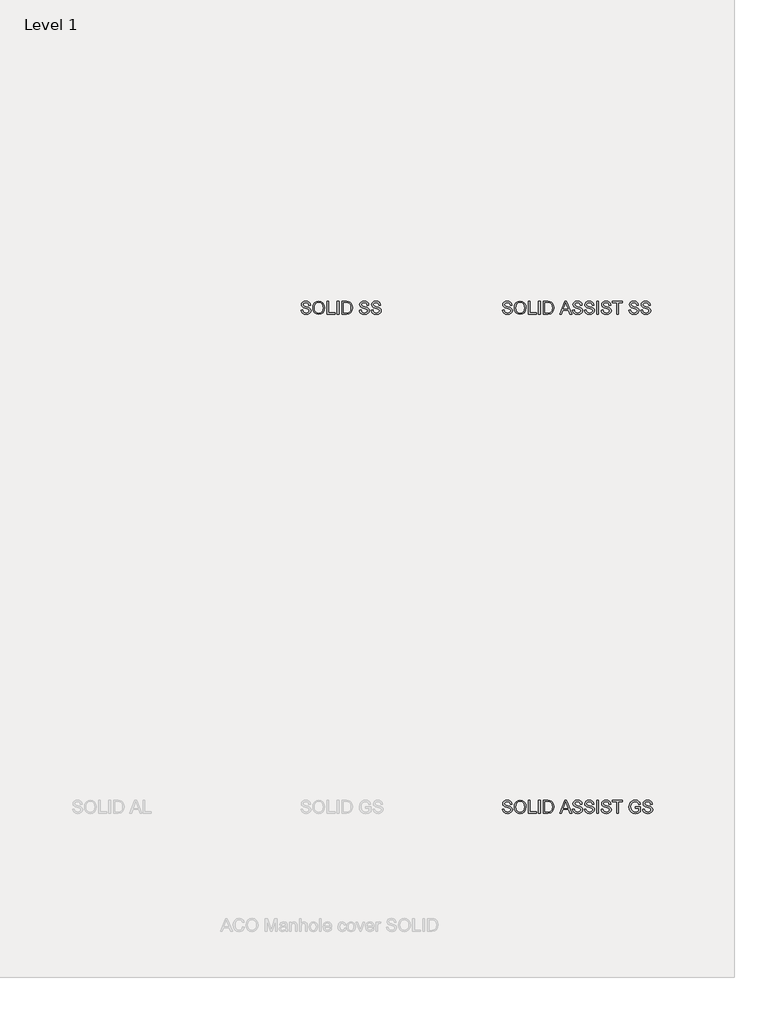
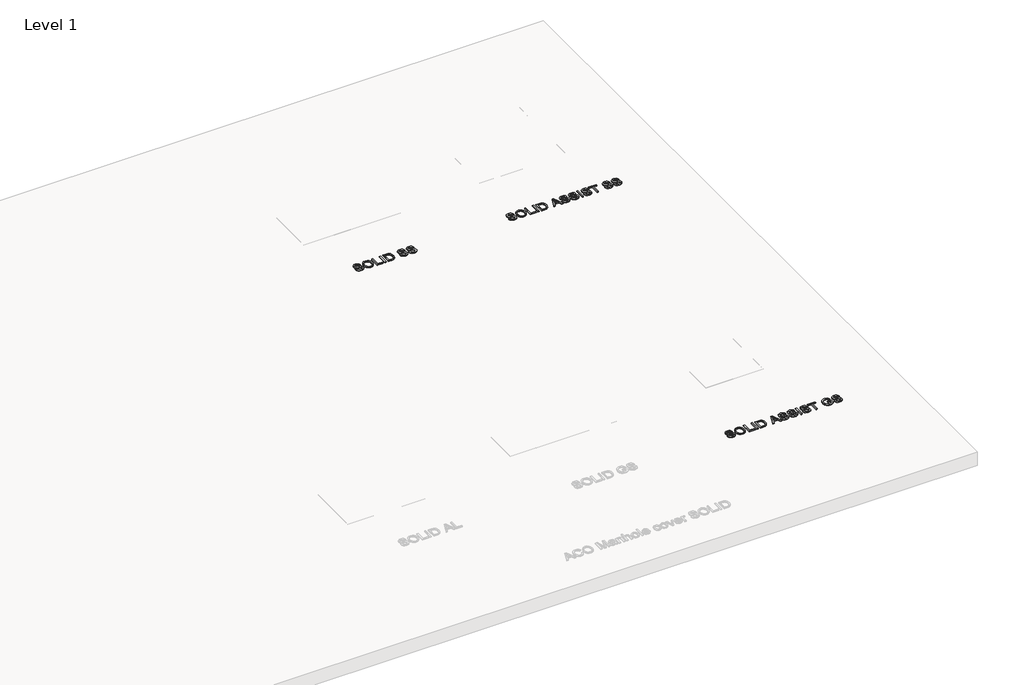
# One storey, part 9 of 9: 3 proxies.
"""IFC4 building model written with IfcOpenShell, lengths in millimetres."""

from ifc_helpers import new_model, si_unit, origin, origin_with_axes, place, context, project, spatial, polyline, outline, extrude, element, save

model = new_model("IFC4")

# Units and contexts
model_context = context("Model", 3, world=origin())
ifc_project = project(units=[si_unit("LENGTHUNIT", "METRE", prefix="MILLI")], contexts=[model_context])

# Site, building, storey
site = spatial("IfcSite", under=ifc_project)
building = spatial("IfcBuilding", under=site)
storey = spatial("IfcBuildingStorey", under=building, Name="Level 1", Elevation=0.0)

# Proxies
placement = place(None, origin())
element("IfcBuildingElementProxy", 1, Name="100mm ACO", ObjectType="100mm ACO", at=placement, inside=storey, context=model_context, shape_type="SweptSolid", body=[
    extrude(outline(polyline([(20366.4933745, -11818.9316368), (20364.4706252, -11809.9857004), (20359.9740097, -11803.5791148), (20353.0035282, -11799.7264322), (20343.5591805, -11798.4422046), (20327.8428547, -11802.4440468), (20323.3025828, -11807.3590367), (20321.7891588, -11814.1003218), (20326.2857743, -11824.2140686), (20344.5778313, -11830.5442553), (20364.5288338, -11836.0595215), (20377.7567414, -11845.0382003), (20381.8822769, -11852.1614794), (20383.2574554, -11861.3657166), (20380.7362948, -11873.2730162), (20373.172813, -11882.9756646), (20361.5565564, -11889.4259066), (20346.8770716, -11891.5759873), (20328.7887447, -11889.1894341), (20315.9100888, -11882.0297746), (20308.0519259, -11871.072003), (20305.0250779, -11857.2911136), (20318.0638075, -11856.1851499), (20320.7086614, -11867.1247313), (20326.9551733, -11874.6227284), (20335.8429011, -11878.9556322), (20346.4114026, -11880.3999334), (20363.6411524, -11875.6413792), (20368.5743325, -11870.035162), (20370.2187258, -11862.733619), (20368.5197619, -11855.3629532), (20363.4228701, -11850.3060799), (20340.0084551, -11842.8117208), (20325.7146023, -11838.4460747), (20316.0701625, -11832.5379004), (20310.5803626, -11824.8652774), (20308.7504293, -11815.2062855), (20311.0460315, -11804.1466488), (20317.9328381, -11795.1825222), (20328.7778306, -11789.2452436), (20342.9479901, -11787.2661507), (20357.5947326, -11789.2597957), (20369.0545536, -11795.2407308), (20376.6071212, -11804.8888086), (20379.5321041, -11817.8838818), (20366.4933745, -11818.9316368)])), origin_with_axes(), (0.0, 0.0, 1.0), 10.0),
    extrude(outline(polyline([(20444.8130649, -11787.2661507), (20463.4107172, -11790.8605326), (20478.2830181, -11801.6436784), (20488.040237, -11818.3131703), (20491.2926434, -11839.5665905), (20488.0220468, -11860.7290598), (20478.2102573, -11877.3003247), (20463.3197662, -11888.0070717), (20444.8130649, -11891.5759873), (20425.8297806, -11887.8761023), (20410.9647558, -11876.7764472), (20401.3603344, -11860.3507038), (20398.1588607, -11840.6725542), (20401.4039909, -11818.4623299), (20411.1393816, -11801.5418133), (20426.0480629, -11790.8350664), (20444.8130649, -11787.2661507)]), holes=[polyline([(20444.6966477, -11880.3999334), (20458.2155983, -11877.7005089), (20468.9114312, -11869.6022355), (20475.8891888, -11856.6944753), (20478.2539138, -11839.5665905), (20475.8855508, -11822.0567118), (20468.7804618, -11809.1089332), (20458.088267, -11801.1088868), (20444.9585865, -11798.4422046), (20431.5342248, -11801.0543162), (20420.7146986, -11808.8906509), (20413.5768673, -11822.1258345), (20411.1975902, -11840.934493), (20413.5259348, -11856.9091195), (20420.5109685, -11869.5003704), (20431.2140774, -11877.6750426), (20444.6966477, -11880.3999334)])]), origin_with_axes(), (0.0, 0.0, 1.0), 10.0),
    extrude(outline(polyline([(20573.2503721, -11889.7133117), (20509.9193999, -11889.7133117), (20509.9193999, -11789.1288264), (20522.9581295, -11789.1288264), (20522.9581295, -11878.5372577), (20573.2503721, -11878.5372577), (20573.2503721, -11889.7133117)])), origin_with_axes(), (0.0, 0.0, 1.0), 10.0),
    extrude(outline(polyline([(20603.0531826, -11889.7133117), (20590.014453, -11889.7133117), (20590.014453, -11789.1288264), (20603.0531826, -11789.1288264), (20603.0531826, -11889.7133117)])), origin_with_axes(), (0.0, 0.0, 1.0), 10.0),
    extrude(outline(polyline([(20627.2679661, -11789.1288264), (20661.4946312, -11789.1288264), (20676.9781226, -11790.0601642), (20689.3765574, -11794.5858839), (20699.7231386, -11804.4959005), (20706.6936202, -11819.0043976), (20709.2256949, -11838.8680872), (20706.6208594, -11859.1210469), (20698.8063529, -11875.4085447), (20684.6398315, -11886.1371199), (20662.9789509, -11889.7133117), (20627.2679661, -11889.7133117), (20627.2679661, -11789.1288264)]), holes=[polyline([(20640.3066957, -11878.5372577), (20661.75657, -11878.5372577), (20673.4710536, -11877.6932328), (20683.934052, -11873.1384088), (20692.7090006, -11860.9728084), (20696.1869653, -11838.5770441), (20694.8481672, -11824.1995164), (20689.9295393, -11812.0193639), (20681.7075725, -11803.972023), (20672.656133, -11800.8578621), (20661.3491097, -11800.3048803), (20640.3066957, -11800.3048803), (20640.3066957, -11878.5372577)])]), origin_with_axes(), (0.0, 0.0, 1.0), 10.0),
    extrude(outline(polyline([(20824.7115854, -11818.9316368), (20822.6888361, -11809.9857004), (20818.1922206, -11803.5791148), (20811.2217391, -11799.7264322), (20801.7773914, -11798.4422046), (20786.0610656, -11802.4440468), (20781.5207937, -11807.3590367), (20780.0073697, -11814.1003218), (20784.5039852, -11824.2140686), (20802.7960422, -11830.5442553), (20822.7470447, -11836.0595215), (20835.9749523, -11845.0382003), (20840.1004878, -11852.1614794), (20841.4756663, -11861.3657166), (20838.9545057, -11873.2730162), (20831.3910239, -11882.9756646), (20819.7747673, -11889.4259066), (20805.0952824, -11891.5759873), (20787.0069556, -11889.1894341), (20774.1282997, -11882.0297746), (20766.2701368, -11871.072003), (20763.2432888, -11857.2911136), (20776.2820184, -11856.1851499), (20778.9268723, -11867.1247313), (20785.1733842, -11874.6227284), (20794.061112, -11878.9556322), (20804.6296135, -11880.3999334), (20821.8593633, -11875.6413792), (20826.7925434, -11870.035162), (20828.4369367, -11862.733619), (20826.7379728, -11855.3629532), (20821.641081, -11850.3060799), (20798.226666, -11842.8117208), (20783.9328132, -11838.4460747), (20774.2883734, -11832.5379004), (20768.7985735, -11824.8652774), (20766.9686402, -11815.2062855), (20769.2642424, -11804.1466488), (20776.151049, -11795.1825222), (20786.9960415, -11789.2452436), (20801.166201, -11787.2661507), (20815.8129435, -11789.2597957), (20827.2727645, -11795.2407308), (20834.8253321, -11804.8888086), (20837.750315, -11817.8838818), (20824.7115854, -11818.9316368)])), origin_with_axes(), (0.0, 0.0, 1.0), 10.0),
    extrude(outline(polyline([(20917.8453681, -11818.9316368), (20915.8226188, -11809.9857004), (20911.3260033, -11803.5791148), (20904.3555218, -11799.7264322), (20894.9111741, -11798.4422046), (20879.1948483, -11802.4440468), (20874.6545764, -11807.3590367), (20873.1411524, -11814.1003218), (20877.6377679, -11824.2140686), (20895.9298249, -11830.5442553), (20915.8808274, -11836.0595215), (20929.108735, -11845.0382003), (20933.2342705, -11852.1614794), (20934.609449, -11861.3657166), (20932.0882884, -11873.2730162), (20924.5248066, -11882.9756646), (20912.90855, -11889.4259066), (20898.2290652, -11891.5759873), (20880.1407383, -11889.1894341), (20867.2620824, -11882.0297746), (20859.4039195, -11871.072003), (20856.3770716, -11857.2911136), (20869.4158011, -11856.1851499), (20872.060655, -11867.1247313), (20878.3071669, -11874.6227284), (20887.1948947, -11878.9556322), (20897.7633962, -11880.3999334), (20914.993146, -11875.6413792), (20919.9263261, -11870.035162), (20921.5707194, -11862.733619), (20919.8717555, -11855.3629532), (20914.7748637, -11850.3060799), (20891.3604487, -11842.8117208), (20877.0665959, -11838.4460747), (20867.4221561, -11832.5379004), (20861.9323562, -11824.8652774), (20860.1024229, -11815.2062855), (20862.3980251, -11804.1466488), (20869.2848317, -11795.1825222), (20880.1298242, -11789.2452436), (20894.2999837, -11787.2661507), (20908.9467262, -11789.2597957), (20920.4065472, -11795.2407308), (20927.9591149, -11804.8888086), (20930.8840977, -11817.8838818), (20917.8453681, -11818.9316368)])), origin_with_axes(), (0.0, 0.0, 1.0), 10.0),
])
element("IfcBuildingElementProxy", 2, Name="100mm ACO", ObjectType="100mm ACO", at=placement, inside=storey, context=model_context, shape_type="SweptSolid", body=[
    extrude(outline(polyline([(21949.4642083, -15738.9316368), (21947.441459, -15729.9857004), (21942.9448435, -15723.5791148), (21935.974362, -15719.7264322), (21926.5300143, -15718.4422046), (21910.8136885, -15722.4440468), (21906.2734166, -15727.3590367), (21904.7599926, -15734.1003218), (21909.2566081, -15744.2140686), (21927.5486651, -15750.5442553), (21947.4996676, -15756.0595215), (21960.7275752, -15765.0382003), (21964.8531107, -15772.1614794), (21966.2282892, -15781.3657166), (21963.7071286, -15793.2730162), (21956.1436468, -15802.9756646), (21944.5273902, -15809.4259066), (21929.8479053, -15811.5759873), (21911.7595785, -15809.1894341), (21898.8809226, -15802.0297746), (21891.0227597, -15791.072003), (21887.9959117, -15777.2911136), (21901.0346413, -15776.1851499), (21903.6794952, -15787.1247313), (21909.9260071, -15794.6227284), (21918.8137349, -15798.9556322), (21929.3822364, -15800.3999334), (21946.6119862, -15795.6413792), (21951.5451663, -15790.035162), (21953.1895596, -15782.733619), (21951.4905957, -15775.3629532), (21946.3937039, -15770.3060799), (21922.9792889, -15762.8117208), (21908.685436, -15758.4460747), (21899.0409963, -15752.5379004), (21893.5511964, -15744.8652774), (21891.721263, -15735.2062855), (21894.0168653, -15724.1466488), (21900.9036719, -15715.1825222), (21911.7486644, -15709.2452436), (21925.9188239, -15707.2661507), (21940.5655664, -15709.2597957), (21952.0253873, -15715.2407308), (21959.577955, -15724.8888086), (21962.5029379, -15737.8838818), (21949.4642083, -15738.9316368)])), origin_with_axes(), (0.0, 0.0, 1.0), 10.0),
    extrude(outline(polyline([(22027.7838987, -15707.2661507), (22046.3815509, -15710.8605326), (22061.2538519, -15721.6436784), (22071.0110708, -15738.3131703), (22074.2634771, -15759.5665905), (22070.9928806, -15780.7290598), (22061.1810911, -15797.3003247), (22046.2906, -15808.0070717), (22027.7838987, -15811.5759873), (22008.8006144, -15807.8761023), (21993.9355896, -15796.7764472), (21984.3311682, -15780.3507038), (21981.1296944, -15760.6725542), (21984.3748247, -15738.4623299), (21994.1102154, -15721.5418133), (22009.0188967, -15710.8350664), (22027.7838987, -15707.2661507)]), holes=[polyline([(22027.6674815, -15800.3999334), (22041.1864321, -15797.7005089), (22051.882265, -15789.6022355), (22058.8600226, -15776.6944753), (22061.2247476, -15759.5665905), (22058.8563846, -15742.0567118), (22051.7512956, -15729.1089332), (22041.0591008, -15721.1088868), (22027.9294202, -15718.4422046), (22014.5050586, -15721.0543162), (22003.6855324, -15728.8906509), (21996.5477011, -15742.1258345), (21994.168424, -15760.934493), (21996.4967686, -15776.9091195), (22003.4818023, -15789.5003704), (22014.1849112, -15797.6750426), (22027.6674815, -15800.3999334)])]), origin_with_axes(), (0.0, 0.0, 1.0), 10.0),
    extrude(outline(polyline([(22156.2212059, -15809.7133117), (22092.8902337, -15809.7133117), (22092.8902337, -15709.1288264), (22105.9289633, -15709.1288264), (22105.9289633, -15798.5372577), (22156.2212059, -15798.5372577), (22156.2212059, -15809.7133117)])), origin_with_axes(), (0.0, 0.0, 1.0), 10.0),
    extrude(outline(polyline([(22186.0240164, -15809.7133117), (22172.9852868, -15809.7133117), (22172.9852868, -15709.1288264), (22186.0240164, -15709.1288264), (22186.0240164, -15809.7133117)])), origin_with_axes(), (0.0, 0.0, 1.0), 10.0),
    extrude(outline(polyline([(22210.2387999, -15709.1288264), (22244.465465, -15709.1288264), (22259.9489564, -15710.0601642), (22272.3473912, -15714.5858839), (22282.6939724, -15724.4959005), (22289.6644539, -15739.0043976), (22292.1965287, -15758.8680872), (22289.5916932, -15779.1210469), (22281.7771867, -15795.4085447), (22267.6106652, -15806.1371199), (22245.9497847, -15809.7133117), (22210.2387999, -15809.7133117), (22210.2387999, -15709.1288264)]), holes=[polyline([(22223.2775295, -15798.5372577), (22244.7274038, -15798.5372577), (22256.4418874, -15797.6932328), (22266.9048858, -15793.1384088), (22275.6798344, -15780.9728084), (22279.1577991, -15758.5770441), (22277.819001, -15744.1995164), (22272.9003731, -15732.0193639), (22264.6784063, -15723.972023), (22255.6269668, -15720.8578621), (22244.3199435, -15720.3048803), (22223.2775295, -15720.3048803), (22223.2775295, -15798.5372577)])]), origin_with_axes(), (0.0, 0.0, 1.0), 10.0),
    extrude(outline(polyline([(22432.3628716, -15809.7133117), (22418.4801171, -15809.7133117), (22406.430934, -15779.9105012), (22363.7349155, -15779.9105012), (22352.1514013, -15809.7133117), (22338.2977511, -15809.7133117), (22377.3848355, -15709.1288264), (22391.645946, -15709.1288264), (22432.3628716, -15809.7133117)]), holes=[polyline([(22401.8906621, -15768.7344473), (22387.382165, -15731.8592902), (22384.3989735, -15720.1302544), (22379.7131801, -15738.8152196), (22368.1005616, -15768.7344473), (22401.8906621, -15768.7344473)])]), origin_with_axes(), (0.0, 0.0, 1.0), 10.0),
    extrude(outline(polyline([(22500.8162019, -15738.9316368), (22498.7934526, -15729.9857004), (22494.2968371, -15723.5791148), (22487.3263556, -15719.7264322), (22477.8820079, -15718.4422046), (22462.1656821, -15722.4440468), (22457.6254102, -15727.3590367), (22456.1119862, -15734.1003218), (22460.6086017, -15744.2140686), (22478.9006587, -15750.5442553), (22498.8516612, -15756.0595215), (22512.0795688, -15765.0382003), (22516.2051043, -15772.1614794), (22517.5802828, -15781.3657166), (22515.0591222, -15793.2730162), (22507.4956404, -15802.9756646), (22495.8793838, -15809.4259066), (22481.1998989, -15811.5759873), (22463.1115721, -15809.1894341), (22450.2329162, -15802.0297746), (22442.3747533, -15791.072003), (22439.3479053, -15777.2911136), (22452.3866349, -15776.1851499), (22455.0314888, -15787.1247313), (22461.2780007, -15794.6227284), (22470.1657285, -15798.9556322), (22480.73423, -15800.3999334), (22497.9639798, -15795.6413792), (22502.8971599, -15790.035162), (22504.5415532, -15782.733619), (22502.8425893, -15775.3629532), (22497.7456975, -15770.3060799), (22474.3312825, -15762.8117208), (22460.0374296, -15758.4460747), (22450.3929899, -15752.5379004), (22444.90319, -15744.8652774), (22443.0732566, -15735.2062855), (22445.3688589, -15724.1466488), (22452.2556655, -15715.1825222), (22463.100658, -15709.2452436), (22477.2708175, -15707.2661507), (22491.91756, -15709.2597957), (22503.3773809, -15715.2407308), (22510.9299486, -15724.8888086), (22513.8549315, -15737.8838818), (22500.8162019, -15738.9316368)])), origin_with_axes(), (0.0, 0.0, 1.0), 10.0),
    extrude(outline(polyline([(22593.9499846, -15738.9316368), (22591.9272353, -15729.9857004), (22587.4306198, -15723.5791148), (22580.4601383, -15719.7264322), (22571.0157906, -15718.4422046), (22555.2994648, -15722.4440468), (22550.7591929, -15727.3590367), (22549.2457689, -15734.1003218), (22553.7423844, -15744.2140686), (22572.0344414, -15750.5442553), (22591.9854439, -15756.0595215), (22605.2133515, -15765.0382003), (22609.338887, -15772.1614794), (22610.7140655, -15781.3657166), (22608.1929049, -15793.2730162), (22600.6294231, -15802.9756646), (22589.0131665, -15809.4259066), (22574.3336816, -15811.5759873), (22556.2453548, -15809.1894341), (22543.3666989, -15802.0297746), (22535.508536, -15791.072003), (22532.481688, -15777.2911136), (22545.5204176, -15776.1851499), (22548.1652715, -15787.1247313), (22554.4117834, -15794.6227284), (22563.2995112, -15798.9556322), (22573.8680127, -15800.3999334), (22591.0977625, -15795.6413792), (22596.0309426, -15790.035162), (22597.6753359, -15782.733619), (22595.976372, -15775.3629532), (22590.8794802, -15770.3060799), (22567.4650652, -15762.8117208), (22553.1712123, -15758.4460747), (22543.5267726, -15752.5379004), (22538.0369727, -15744.8652774), (22536.2070393, -15735.2062855), (22538.5026416, -15724.1466488), (22545.3894482, -15715.1825222), (22556.2344407, -15709.2452436), (22570.4046002, -15707.2661507), (22585.0513427, -15709.2597957), (22596.5111636, -15715.2407308), (22604.0637313, -15724.8888086), (22606.9887142, -15737.8838818), (22593.9499846, -15738.9316368)])), origin_with_axes(), (0.0, 0.0, 1.0), 10.0),
    extrude(outline(polyline([(22644.2422273, -15809.7133117), (22631.2034977, -15809.7133117), (22631.2034977, -15709.1288264), (22644.2422273, -15709.1288264), (22644.2422273, -15809.7133117)])), origin_with_axes(), (0.0, 0.0, 1.0), 10.0),
    extrude(outline(polyline([(22726.1999561, -15738.9316368), (22724.1772067, -15729.9857004), (22719.6805913, -15723.5791148), (22712.7101097, -15719.7264322), (22703.2657621, -15718.4422046), (22687.5494362, -15722.4440468), (22683.0091643, -15727.3590367), (22681.4957404, -15734.1003218), (22685.9923558, -15744.2140686), (22704.2844128, -15750.5442553), (22724.2354153, -15756.0595215), (22737.4633229, -15765.0382003), (22741.5888584, -15772.1614794), (22742.9640369, -15781.3657166), (22740.4428763, -15793.2730162), (22732.8793945, -15802.9756646), (22721.263138, -15809.4259066), (22706.5836531, -15811.5759873), (22688.4953262, -15809.1894341), (22675.6166703, -15802.0297746), (22667.7585074, -15791.072003), (22664.7316595, -15777.2911136), (22677.7703891, -15776.1851499), (22680.415243, -15787.1247313), (22686.6617549, -15794.6227284), (22695.5494827, -15798.9556322), (22706.1179842, -15800.3999334), (22723.347734, -15795.6413792), (22728.280914, -15790.035162), (22729.9253074, -15782.733619), (22728.2263434, -15775.3629532), (22723.1294517, -15770.3060799), (22699.7150366, -15762.8117208), (22685.4211838, -15758.4460747), (22675.776744, -15752.5379004), (22670.2869441, -15744.8652774), (22668.4570108, -15735.2062855), (22670.752613, -15724.1466488), (22677.6394197, -15715.1825222), (22688.4844121, -15709.2452436), (22702.6545716, -15707.2661507), (22717.3013142, -15709.2597957), (22728.7611351, -15715.2407308), (22736.3137028, -15724.8888086), (22739.2386856, -15737.8838818), (22726.1999561, -15738.9316368)])), origin_with_axes(), (0.0, 0.0, 1.0), 10.0),
    extrude(outline(polyline([(22832.3724683, -15720.3048803), (22798.8443066, -15720.3048803), (22798.8443066, -15809.7133117), (22785.805577, -15809.7133117), (22785.805577, -15720.3048803), (22752.2774152, -15720.3048803), (22752.2774152, -15709.1288264), (22832.3724683, -15709.1288264), (22832.3724683, -15720.3048803)])), origin_with_axes(), (0.0, 0.0, 1.0), 10.0),
    extrude(outline(polyline([(22973.9358181, -15796.2962261), (22954.4141041, -15807.756047), (22933.1606838, -15811.5759873), (22912.6603375, -15808.039814), (22896.5620176, -15797.4312941), (22886.1390377, -15780.9582563), (22882.664711, -15759.8285293), (22888.3254987, -15733.168984), (22895.3287226, -15722.2184885), (22905.0168189, -15714.0474542), (22917.2770082, -15708.9614766), (22931.9965115, -15707.2661507), (22946.919745, -15709.1506546), (22958.5687439, -15714.8041662), (22966.9507843, -15724.2194096), (22972.0731424, -15737.3891085), (22959.0344128, -15740.7943125), (22955.2544909, -15731.0334555), (22949.3281264, -15724.0447837), (22941.2553192, -15719.8428494), (22931.0360694, -15718.4422046), (22915.6871854, -15721.2653224), (22904.6239107, -15729.7346758), (22897.9335581, -15742.7734054), (22895.7034406, -15759.3046518), (22900.1127431, -15782.0496678), (22913.1951291, -15795.7577964), (22932.0547201, -15800.3999334), (22947.0070579, -15797.5768156), (22960.8970885, -15789.1074622), (22960.8970885, -15768.7344473), (22931.094278, -15768.7344473), (22931.094278, -15757.5583934), (22973.9358181, -15757.5583934), (22973.9358181, -15796.2962261)])), origin_with_axes(), (0.0, 0.0, 1.0), 10.0),
    extrude(outline(polyline([(23052.1681955, -15738.9316368), (23050.1454462, -15729.9857004), (23045.6488307, -15723.5791148), (23038.6783492, -15719.7264322), (23029.2340015, -15718.4422046), (23013.5176757, -15722.4440468), (23008.9774038, -15727.3590367), (23007.4639798, -15734.1003218), (23011.9605953, -15744.2140686), (23030.2526523, -15750.5442553), (23050.2036548, -15756.0595215), (23063.4315624, -15765.0382003), (23067.5570979, -15772.1614794), (23068.9322764, -15781.3657166), (23066.4111158, -15793.2730162), (23058.847634, -15802.9756646), (23047.2313774, -15809.4259066), (23032.5518925, -15811.5759873), (23014.4635657, -15809.1894341), (23001.5849098, -15802.0297746), (22993.7267469, -15791.072003), (22990.6998989, -15777.2911136), (23003.7386285, -15776.1851499), (23006.3834824, -15787.1247313), (23012.6299943, -15794.6227284), (23021.5177221, -15798.9556322), (23032.0862236, -15800.3999334), (23049.3159734, -15795.6413792), (23054.2491535, -15790.035162), (23055.8935468, -15782.733619), (23054.1945829, -15775.3629532), (23049.0976911, -15770.3060799), (23025.6832761, -15762.8117208), (23011.3894232, -15758.4460747), (23001.7449835, -15752.5379004), (22996.2551836, -15744.8652774), (22994.4252502, -15735.2062855), (22996.7208525, -15724.1466488), (23003.6076591, -15715.1825222), (23014.4526516, -15709.2452436), (23028.6228111, -15707.2661507), (23043.2695536, -15709.2597957), (23054.7293745, -15715.2407308), (23062.2819422, -15724.8888086), (23065.2069251, -15737.8838818), (23052.1681955, -15738.9316368)])), origin_with_axes(), (0.0, 0.0, 1.0), 10.0),
])
element("IfcBuildingElementProxy", 3, Name="100mm ACO", ObjectType="100mm ACO", at=placement, inside=storey, context=model_context, shape_type="SweptSolid", body=[
    extrude(outline(polyline([(21949.4642083, -11818.9316368), (21947.441459, -11809.9857004), (21942.9448435, -11803.5791148), (21935.974362, -11799.7264322), (21926.5300143, -11798.4422046), (21910.8136885, -11802.4440468), (21906.2734166, -11807.3590367), (21904.7599926, -11814.1003218), (21909.2566081, -11824.2140686), (21927.5486651, -11830.5442553), (21947.4996676, -11836.0595215), (21960.7275752, -11845.0382003), (21964.8531107, -11852.1614794), (21966.2282892, -11861.3657166), (21963.7071286, -11873.2730162), (21956.1436468, -11882.9756646), (21944.5273902, -11889.4259066), (21929.8479053, -11891.5759873), (21911.7595785, -11889.1894341), (21898.8809226, -11882.0297746), (21891.0227597, -11871.072003), (21887.9959117, -11857.2911136), (21901.0346413, -11856.1851499), (21903.6794952, -11867.1247313), (21909.9260071, -11874.6227284), (21918.8137349, -11878.9556322), (21929.3822364, -11880.3999334), (21946.6119862, -11875.6413792), (21951.5451663, -11870.035162), (21953.1895596, -11862.733619), (21951.4905957, -11855.3629532), (21946.3937039, -11850.3060799), (21922.9792889, -11842.8117208), (21908.685436, -11838.4460747), (21899.0409963, -11832.5379004), (21893.5511964, -11824.8652774), (21891.721263, -11815.2062855), (21894.0168653, -11804.1466488), (21900.9036719, -11795.1825222), (21911.7486644, -11789.2452436), (21925.9188239, -11787.2661507), (21940.5655664, -11789.2597957), (21952.0253873, -11795.2407308), (21959.577955, -11804.8888086), (21962.5029379, -11817.8838818), (21949.4642083, -11818.9316368)])), origin_with_axes(), (0.0, 0.0, 1.0), 10.0),
    extrude(outline(polyline([(22027.7838987, -11787.2661507), (22046.3815509, -11790.8605326), (22061.2538519, -11801.6436784), (22071.0110708, -11818.3131703), (22074.2634771, -11839.5665905), (22070.9928806, -11860.7290598), (22061.1810911, -11877.3003247), (22046.2906, -11888.0070717), (22027.7838987, -11891.5759873), (22008.8006144, -11887.8761023), (21993.9355896, -11876.7764472), (21984.3311682, -11860.3507038), (21981.1296944, -11840.6725542), (21984.3748247, -11818.4623299), (21994.1102154, -11801.5418133), (22009.0188967, -11790.8350664), (22027.7838987, -11787.2661507)]), holes=[polyline([(22027.6674815, -11880.3999334), (22041.1864321, -11877.7005089), (22051.882265, -11869.6022355), (22058.8600226, -11856.6944753), (22061.2247476, -11839.5665905), (22058.8563846, -11822.0567118), (22051.7512956, -11809.1089332), (22041.0591008, -11801.1088868), (22027.9294202, -11798.4422046), (22014.5050586, -11801.0543162), (22003.6855324, -11808.8906509), (21996.5477011, -11822.1258345), (21994.168424, -11840.934493), (21996.4967686, -11856.9091195), (22003.4818023, -11869.5003704), (22014.1849112, -11877.6750426), (22027.6674815, -11880.3999334)])]), origin_with_axes(), (0.0, 0.0, 1.0), 10.0),
    extrude(outline(polyline([(22156.2212059, -11889.7133117), (22092.8902337, -11889.7133117), (22092.8902337, -11789.1288264), (22105.9289633, -11789.1288264), (22105.9289633, -11878.5372577), (22156.2212059, -11878.5372577), (22156.2212059, -11889.7133117)])), origin_with_axes(), (0.0, 0.0, 1.0), 10.0),
    extrude(outline(polyline([(22186.0240164, -11889.7133117), (22172.9852868, -11889.7133117), (22172.9852868, -11789.1288264), (22186.0240164, -11789.1288264), (22186.0240164, -11889.7133117)])), origin_with_axes(), (0.0, 0.0, 1.0), 10.0),
    extrude(outline(polyline([(22210.2387999, -11789.1288264), (22244.465465, -11789.1288264), (22259.9489564, -11790.0601642), (22272.3473912, -11794.5858839), (22282.6939724, -11804.4959005), (22289.6644539, -11819.0043976), (22292.1965287, -11838.8680872), (22289.5916932, -11859.1210469), (22281.7771867, -11875.4085447), (22267.6106652, -11886.1371199), (22245.9497847, -11889.7133117), (22210.2387999, -11889.7133117), (22210.2387999, -11789.1288264)]), holes=[polyline([(22223.2775295, -11878.5372577), (22244.7274038, -11878.5372577), (22256.4418874, -11877.6932328), (22266.9048858, -11873.1384088), (22275.6798344, -11860.9728084), (22279.1577991, -11838.5770441), (22277.819001, -11824.1995164), (22272.9003731, -11812.0193639), (22264.6784063, -11803.972023), (22255.6269668, -11800.8578621), (22244.3199435, -11800.3048803), (22223.2775295, -11800.3048803), (22223.2775295, -11878.5372577)])]), origin_with_axes(), (0.0, 0.0, 1.0), 10.0),
    extrude(outline(polyline([(22432.3628716, -11889.7133117), (22418.4801171, -11889.7133117), (22406.430934, -11859.9105012), (22363.7349155, -11859.9105012), (22352.1514013, -11889.7133117), (22338.2977511, -11889.7133117), (22377.3848355, -11789.1288264), (22391.645946, -11789.1288264), (22432.3628716, -11889.7133117)]), holes=[polyline([(22401.8906621, -11848.7344473), (22387.382165, -11811.8592902), (22384.3989735, -11800.1302544), (22379.7131801, -11818.8152196), (22368.1005616, -11848.7344473), (22401.8906621, -11848.7344473)])]), origin_with_axes(), (0.0, 0.0, 1.0), 10.0),
    extrude(outline(polyline([(22500.8162019, -11818.9316368), (22498.7934526, -11809.9857004), (22494.2968371, -11803.5791148), (22487.3263556, -11799.7264322), (22477.8820079, -11798.4422046), (22462.1656821, -11802.4440468), (22457.6254102, -11807.3590367), (22456.1119862, -11814.1003218), (22460.6086017, -11824.2140686), (22478.9006587, -11830.5442553), (22498.8516612, -11836.0595215), (22512.0795688, -11845.0382003), (22516.2051043, -11852.1614794), (22517.5802828, -11861.3657166), (22515.0591222, -11873.2730162), (22507.4956404, -11882.9756646), (22495.8793838, -11889.4259066), (22481.1998989, -11891.5759873), (22463.1115721, -11889.1894341), (22450.2329162, -11882.0297746), (22442.3747533, -11871.072003), (22439.3479053, -11857.2911136), (22452.3866349, -11856.1851499), (22455.0314888, -11867.1247313), (22461.2780007, -11874.6227284), (22470.1657285, -11878.9556322), (22480.73423, -11880.3999334), (22497.9639798, -11875.6413792), (22502.8971599, -11870.035162), (22504.5415532, -11862.733619), (22502.8425893, -11855.3629532), (22497.7456975, -11850.3060799), (22474.3312825, -11842.8117208), (22460.0374296, -11838.4460747), (22450.3929899, -11832.5379004), (22444.90319, -11824.8652774), (22443.0732566, -11815.2062855), (22445.3688589, -11804.1466488), (22452.2556655, -11795.1825222), (22463.100658, -11789.2452436), (22477.2708175, -11787.2661507), (22491.91756, -11789.2597957), (22503.3773809, -11795.2407308), (22510.9299486, -11804.8888086), (22513.8549315, -11817.8838818), (22500.8162019, -11818.9316368)])), origin_with_axes(), (0.0, 0.0, 1.0), 10.0),
    extrude(outline(polyline([(22593.9499846, -11818.9316368), (22591.9272353, -11809.9857004), (22587.4306198, -11803.5791148), (22580.4601383, -11799.7264322), (22571.0157906, -11798.4422046), (22555.2994648, -11802.4440468), (22550.7591929, -11807.3590367), (22549.2457689, -11814.1003218), (22553.7423844, -11824.2140686), (22572.0344414, -11830.5442553), (22591.9854439, -11836.0595215), (22605.2133515, -11845.0382003), (22609.338887, -11852.1614794), (22610.7140655, -11861.3657166), (22608.1929049, -11873.2730162), (22600.6294231, -11882.9756646), (22589.0131665, -11889.4259066), (22574.3336816, -11891.5759873), (22556.2453548, -11889.1894341), (22543.3666989, -11882.0297746), (22535.508536, -11871.072003), (22532.481688, -11857.2911136), (22545.5204176, -11856.1851499), (22548.1652715, -11867.1247313), (22554.4117834, -11874.6227284), (22563.2995112, -11878.9556322), (22573.8680127, -11880.3999334), (22591.0977625, -11875.6413792), (22596.0309426, -11870.035162), (22597.6753359, -11862.733619), (22595.976372, -11855.3629532), (22590.8794802, -11850.3060799), (22567.4650652, -11842.8117208), (22553.1712123, -11838.4460747), (22543.5267726, -11832.5379004), (22538.0369727, -11824.8652774), (22536.2070393, -11815.2062855), (22538.5026416, -11804.1466488), (22545.3894482, -11795.1825222), (22556.2344407, -11789.2452436), (22570.4046002, -11787.2661507), (22585.0513427, -11789.2597957), (22596.5111636, -11795.2407308), (22604.0637313, -11804.8888086), (22606.9887142, -11817.8838818), (22593.9499846, -11818.9316368)])), origin_with_axes(), (0.0, 0.0, 1.0), 10.0),
    extrude(outline(polyline([(22644.2422273, -11889.7133117), (22631.2034977, -11889.7133117), (22631.2034977, -11789.1288264), (22644.2422273, -11789.1288264), (22644.2422273, -11889.7133117)])), origin_with_axes(), (0.0, 0.0, 1.0), 10.0),
    extrude(outline(polyline([(22726.1999561, -11818.9316368), (22724.1772067, -11809.9857004), (22719.6805913, -11803.5791148), (22712.7101097, -11799.7264322), (22703.2657621, -11798.4422046), (22687.5494362, -11802.4440468), (22683.0091643, -11807.3590367), (22681.4957404, -11814.1003218), (22685.9923558, -11824.2140686), (22704.2844128, -11830.5442553), (22724.2354153, -11836.0595215), (22737.4633229, -11845.0382003), (22741.5888584, -11852.1614794), (22742.9640369, -11861.3657166), (22740.4428763, -11873.2730162), (22732.8793945, -11882.9756646), (22721.263138, -11889.4259066), (22706.5836531, -11891.5759873), (22688.4953262, -11889.1894341), (22675.6166703, -11882.0297746), (22667.7585074, -11871.072003), (22664.7316595, -11857.2911136), (22677.7703891, -11856.1851499), (22680.415243, -11867.1247313), (22686.6617549, -11874.6227284), (22695.5494827, -11878.9556322), (22706.1179842, -11880.3999334), (22723.347734, -11875.6413792), (22728.280914, -11870.035162), (22729.9253074, -11862.733619), (22728.2263434, -11855.3629532), (22723.1294517, -11850.3060799), (22699.7150366, -11842.8117208), (22685.4211838, -11838.4460747), (22675.776744, -11832.5379004), (22670.2869441, -11824.8652774), (22668.4570108, -11815.2062855), (22670.752613, -11804.1466488), (22677.6394197, -11795.1825222), (22688.4844121, -11789.2452436), (22702.6545716, -11787.2661507), (22717.3013142, -11789.2597957), (22728.7611351, -11795.2407308), (22736.3137028, -11804.8888086), (22739.2386856, -11817.8838818), (22726.1999561, -11818.9316368)])), origin_with_axes(), (0.0, 0.0, 1.0), 10.0),
    extrude(outline(polyline([(22832.3724683, -11800.3048803), (22798.8443066, -11800.3048803), (22798.8443066, -11889.7133117), (22785.805577, -11889.7133117), (22785.805577, -11800.3048803), (22752.2774152, -11800.3048803), (22752.2774152, -11789.1288264), (22832.3724683, -11789.1288264), (22832.3724683, -11800.3048803)])), origin_with_axes(), (0.0, 0.0, 1.0), 10.0),
    extrude(outline(polyline([(22944.1330076, -11818.9316368), (22942.1102582, -11809.9857004), (22937.6136428, -11803.5791148), (22930.6431612, -11799.7264322), (22921.1988136, -11798.4422046), (22905.4824878, -11802.4440468), (22900.9422159, -11807.3590367), (22899.4287919, -11814.1003218), (22903.9254073, -11824.2140686), (22922.2174643, -11830.5442553), (22942.1684669, -11836.0595215), (22955.3963744, -11845.0382003), (22959.52191, -11852.1614794), (22960.8970885, -11861.3657166), (22958.3759279, -11873.2730162), (22950.8124461, -11882.9756646), (22939.1961895, -11889.4259066), (22924.5167046, -11891.5759873), (22906.4283777, -11889.1894341), (22893.5497219, -11882.0297746), (22885.6915589, -11871.072003), (22882.664711, -11857.2911136), (22895.7034406, -11856.1851499), (22898.3482945, -11867.1247313), (22904.5948064, -11874.6227284), (22913.4825342, -11878.9556322), (22924.0510357, -11880.3999334), (22941.2807855, -11875.6413792), (22946.2139655, -11870.035162), (22947.8583589, -11862.733619), (22946.159395, -11855.3629532), (22941.0625032, -11850.3060799), (22917.6480881, -11842.8117208), (22903.3542353, -11838.4460747), (22893.7097955, -11832.5379004), (22888.2199956, -11824.8652774), (22886.3900623, -11815.2062855), (22888.6856645, -11804.1466488), (22895.5724712, -11795.1825222), (22906.4174636, -11789.2452436), (22920.5876231, -11787.2661507), (22935.2343657, -11789.2597957), (22946.6941866, -11795.2407308), (22954.2467543, -11804.8888086), (22957.1717372, -11817.8838818), (22944.1330076, -11818.9316368)])), origin_with_axes(), (0.0, 0.0, 1.0), 10.0),
    extrude(outline(polyline([(23037.2667903, -11818.9316368), (23035.2440409, -11809.9857004), (23030.7474255, -11803.5791148), (23023.776944, -11799.7264322), (23014.3325963, -11798.4422046), (22998.6162705, -11802.4440468), (22994.0759986, -11807.3590367), (22992.5625746, -11814.1003218), (22997.05919, -11824.2140686), (23015.351247, -11830.5442553), (23035.3022496, -11836.0595215), (23048.5301571, -11845.0382003), (23052.6556927, -11852.1614794), (23054.0308712, -11861.3657166), (23051.5097106, -11873.2730162), (23043.9462288, -11882.9756646), (23032.3299722, -11889.4259066), (23017.6504873, -11891.5759873), (22999.5621604, -11889.1894341), (22986.6835046, -11882.0297746), (22978.8253416, -11871.072003), (22975.7984937, -11857.2911136), (22988.8372233, -11856.1851499), (22991.4820772, -11867.1247313), (22997.7285891, -11874.6227284), (23006.6163169, -11878.9556322), (23017.1848184, -11880.3999334), (23034.4145682, -11875.6413792), (23039.3477482, -11870.035162), (23040.9921416, -11862.733619), (23039.2931777, -11855.3629532), (23034.1962859, -11850.3060799), (23010.7818708, -11842.8117208), (22996.488018, -11838.4460747), (22986.8435782, -11832.5379004), (22981.3537783, -11824.8652774), (22979.523845, -11815.2062855), (22981.8194472, -11804.1466488), (22988.7062539, -11795.1825222), (22999.5512463, -11789.2452436), (23013.7214058, -11787.2661507), (23028.3681484, -11789.2597957), (23039.8279693, -11795.2407308), (23047.380537, -11804.8888086), (23050.3055199, -11817.8838818), (23037.2667903, -11818.9316368)])), origin_with_axes(), (0.0, 0.0, 1.0), 10.0),
])

save(model, "model.ifc")
